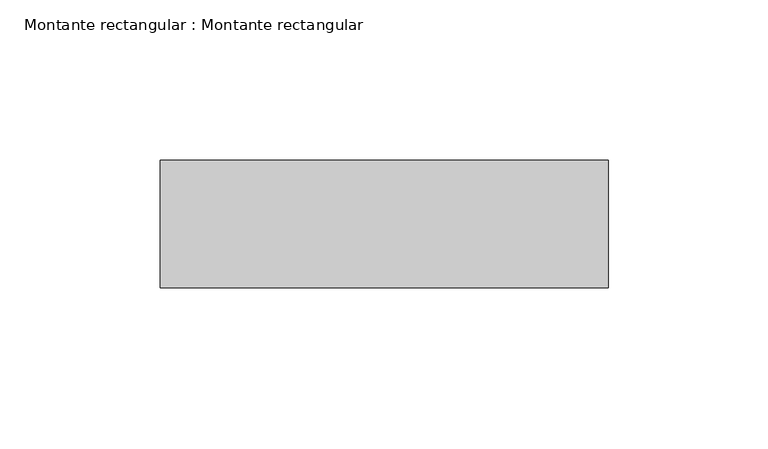
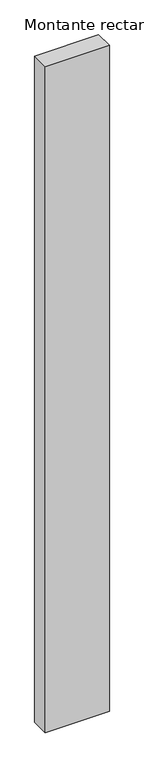
"""IFC4 building model written with IfcOpenShell, lengths in millimetres: member geometry, Montante rectangular : Montante rectangular."""

from ifc_helpers import new_model, si_unit, frame, origin, place, context, project, spatial, polyline, outline, extrude, source, transform, mapped, element, save


def montante_rectangular_montante_rectangular_1dac8ea1(model_context):
    return source(origin(), model_context, "Body", "SweptSolid", [
        extrude(outline(polyline([(0.0, -4.614603), (0.0, -44.614603), (-140.0, -44.614603), (-140.0, -4.614603), (0.0, -4.614603)])), frame((0.0, 0.0, -1539.2228533), z_axis=(0.0, 0.0, 1.0), x_axis=(1.0, 0.0, 0.0)), (0.0, 0.0, 1.0), 1539.2228533),
    ])


if __name__ == "__main__":
    model = new_model("IFC4")
    model_context = context("Model", 3, world=origin())
    ifc_project = project(units=[si_unit("LENGTHUNIT", "METRE", prefix="MILLI")], contexts=[model_context])
    site = spatial("IfcSite", under=ifc_project)
    building = spatial("IfcBuilding", under=site)
    placement = place(None, origin())
    montante_rectangular_montante_rectangular_shape = montante_rectangular_montante_rectangular_1dac8ea1(model_context)
    element("IfcMember", 1, ObjectType="Montante rectangular : Montante rectangular", at=placement, inside=building, context=model_context, shape_type="MappedRepresentation", body=[
        mapped(montante_rectangular_montante_rectangular_shape, transform((0.0, 0.0, 0.0), x_axis=(1.0, 0.0, 0.0), y_axis=(0.0, 1.0, 0.0), z_axis=(0.0, 0.0, 1.0))),
    ])
    save(model, "model.ifc")
